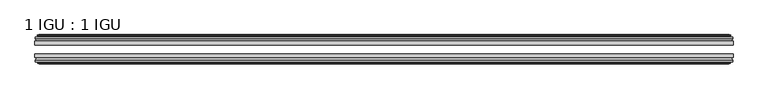
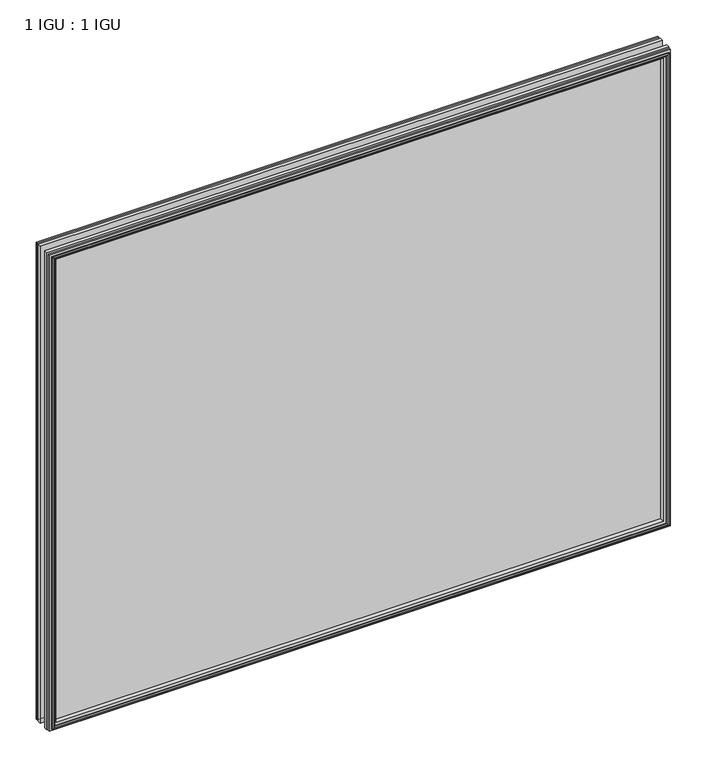
"""IFC4 building model written with IfcOpenShell, lengths in millimetres: plate geometry, 1 IGU : 1 IGU."""

from ifc_helpers import new_model, si_unit, frame, origin, place, context, project, spatial, polyline, outline, extrude, faceted_brep, source, transform, mapped, element, save


def plate_1_igu_1_igu_21a6585b(model_context):
    return source(origin(), model_context, "Body", "SolidModel", [
        extrude(outline(polyline([(532.8020352, -25.8960937), (532.8020352, -32.2460938), (-532.8020352, -32.2460938), (-532.8020352, -25.8960937), (532.8020352, -25.8960937)])), frame((0.0, 0.0, -12.7), z_axis=(0.0, 0.0, 1.0), x_axis=(1.0, 0.0, 0.0)), (0.0, 0.0, 1.0), 863.6),
        extrude(outline(polyline([(-532.8020352, -51.2960938), (-532.8020352, -45.2686737), (532.8020352, -45.2686737), (532.8020352, -51.2960938), (-532.8020352, -51.2960938)])), frame((0.0, 0.0, -12.7), z_axis=(0.0, 0.0, 1.0), x_axis=(1.0, 0.0, 0.0)), (0.0, 0.0, 1.0), 863.6),
        faceted_brep([(-527.2140352, -60.0262907, 845.312), (-527.5950352, -57.6460937, 845.693), (-527.5950352, -57.6460937, -7.493), (-527.2140352, -60.0262907, -7.112), (-528.6295643, -59.5663575, 846.7275291), (-528.6295643, -59.5663575, -8.5275291), (-528.6295643, -60.3675717, 846.7275291), (-528.6295643, -60.3675717, -8.5275291), (-526.4520352, -61.0750937, 844.55), (-526.4520352, -61.0750937, -6.35), (-524.2745062, -60.3675717, 842.3724709), (-524.2745062, -60.3675717, -4.1724709), (-524.2745062, -59.5663575, 842.3724709), (-524.2745062, -59.5663575, -4.1724709), (-525.6900352, -60.0262907, 843.788), (-525.6900352, -60.0262907, -5.588), (-525.3090352, -57.6460937, 843.407), (-525.3090352, -57.6460937, -5.207), (-518.3843171, -51.2960937, 836.4822819), (-520.1020352, -57.6460937, 838.2), (-520.1020352, -57.6460937, 0.0), (-518.3843171, -51.2960937, 1.7177181), (-532.0400352, -54.6996937, 850.138), (-529.2056931, -51.2960937, 847.3036578), (-529.2056931, -51.2960937, -9.1036578), (-532.0400352, -54.6996937, -11.938), (-532.0400352, -57.6460937, 850.138), (-532.0400352, -57.6460937, -11.938), (527.5950352, -57.6460938, -7.493), (527.2140352, -60.0262907, -7.112), (528.6295643, -59.5663575, -8.5275291), (528.6295643, -60.3675717, -8.5275291), (526.4520352, -61.0750937, -6.35), (524.2745062, -60.3675717, -4.1724709), (524.2745062, -59.5663575, -4.1724709), (525.6900352, -60.0262907, -5.588), (525.3090352, -57.6460937, -5.207), (520.1020352, -57.6460937, 0.0), (518.3843171, -51.2960937, 1.7177181), (529.2056931, -51.2960937, -9.1036578), (532.0400352, -54.6996937, -11.938), (532.0400352, -57.6460938, -11.938), (527.5950352, -57.6460938, 845.693), (527.2140352, -60.0262907, 845.312), (528.6295643, -59.5663575, 846.7275291), (528.6295643, -60.3675717, 846.7275291), (526.4520352, -61.0750937, 844.55), (524.2745062, -60.3675717, 842.3724709), (524.2745062, -59.5663575, 842.3724709), (525.6900352, -60.0262907, 843.788), (525.3090352, -57.6460937, 843.407), (520.1020352, -57.6460937, 838.2), (518.3843171, -51.2960937, 836.4822819), (529.2056931, -51.2960937, 847.3036578), (532.0400352, -54.6996937, 850.138), (532.0400352, -57.6460938, 850.138)], [[[0, 1, 2, 3]], [[4, 0, 3, 5]], [[6, 4, 5, 7]], [[8, 6, 7, 9]], [[10, 8, 9, 11]], [[12, 10, 11, 13]], [[14, 12, 13, 15]], [[16, 14, 15, 17]], [[18, 19, 20, 21]], [[22, 23, 24, 25]], [[26, 22, 25, 27]], [[3, 2, 28, 29]], [[5, 3, 29, 30]], [[7, 5, 30, 31]], [[9, 7, 31, 32]], [[11, 9, 32, 33]], [[13, 11, 33, 34]], [[15, 13, 34, 35]], [[17, 15, 35, 36]], [[21, 20, 37, 38]], [[25, 24, 39, 40]], [[27, 25, 40, 41]], [[29, 28, 42, 43]], [[30, 29, 43, 44]], [[31, 30, 44, 45]], [[32, 31, 45, 46]], [[33, 32, 46, 47]], [[34, 33, 47, 48]], [[35, 34, 48, 49]], [[36, 35, 49, 50]], [[38, 37, 51, 52]], [[40, 39, 53, 54]], [[41, 40, 54, 55]], [[27, 41, 55, 26], [1, 42, 28, 2]], [[43, 42, 1, 0]], [[44, 43, 0, 4]], [[45, 44, 4, 6]], [[46, 45, 6, 8]], [[47, 46, 8, 10]], [[48, 47, 10, 12]], [[49, 48, 12, 14]], [[50, 49, 14, 16]], [[17, 36, 50, 16], [19, 51, 37, 20]], [[52, 51, 19, 18]], [[23, 53, 39, 24], [21, 38, 52, 18]], [[54, 53, 23, 22]], [[55, 54, 22, 26]]]),
        faceted_brep([(-529.7263931, -25.8960937, 847.8243578), (-532.5607352, -22.4924937, 850.6587), (-532.5607352, -22.4924937, -12.4587), (-529.7263931, -25.8960937, -9.6243578), (-520.6227352, -19.5460937, 838.7207), (-518.9050171, -25.8960937, 837.0029819), (-518.9050171, -25.8960937, 1.1970181), (-520.6227352, -19.5460937, -0.5207), (-526.2107352, -17.1658968, 844.3087), (-525.8297352, -19.5460937, 843.9277), (-525.8297352, -19.5460937, -5.7277), (-526.2107352, -17.1658968, -6.1087), (-524.7952062, -17.62583, 842.8931709), (-524.7952062, -17.62583, -4.6931709), (-524.7952062, -16.8246158, 842.8931709), (-524.7952062, -16.8246158, -4.6931709), (-526.9727352, -16.1170937, 845.0707), (-526.9727352, -16.1170937, -6.8707), (-529.1502643, -16.8246158, 847.2482291), (-529.1502643, -16.8246158, -9.0482291), (-529.1502643, -17.62583, 847.2482291), (-529.1502643, -17.62583, -9.0482291), (-527.7347352, -17.1658968, 845.8327), (-527.7347352, -17.1658968, -7.6327), (-528.1157352, -19.5460937, 846.2137), (-528.1157352, -19.5460937, -8.0137), (-532.5607352, -19.5460937, 850.6587), (-532.5607352, -19.5460937, -12.4587), (532.5607352, -22.4924937, -12.4587), (529.7263931, -25.8960937, -9.6243578), (518.9050171, -25.8960937, 1.1970181), (520.6227352, -19.5460937, -0.5207), (525.8297352, -19.5460937, -5.7277), (526.2107352, -17.1658968, -6.1087), (524.7952062, -17.62583, -4.6931709), (524.7952062, -16.8246158, -4.6931709), (526.9727352, -16.1170937, -6.8707), (529.1502643, -16.8246158, -9.0482291), (529.1502643, -17.62583, -9.0482291), (527.7347352, -17.1658968, -7.6327), (528.1157352, -19.5460937, -8.0137), (532.5607352, -19.5460937, -12.4587), (532.5607352, -22.4924937, 850.6587), (529.7263931, -25.8960937, 847.8243578), (518.9050171, -25.8960937, 837.0029819), (520.6227352, -19.5460937, 838.7207), (525.8297352, -19.5460937, 843.9277), (526.2107352, -17.1658968, 844.3087), (524.7952062, -17.62583, 842.8931709), (524.7952062, -16.8246158, 842.8931709), (526.9727352, -16.1170937, 845.0707), (529.1502643, -16.8246158, 847.2482291), (529.1502643, -17.62583, 847.2482291), (527.7347352, -17.1658968, 845.8327), (528.1157352, -19.5460937, 846.2137), (532.5607352, -19.5460937, 850.6587)], [[[0, 1, 2, 3]], [[4, 5, 6, 7]], [[8, 9, 10, 11]], [[12, 8, 11, 13]], [[14, 12, 13, 15]], [[16, 14, 15, 17]], [[18, 16, 17, 19]], [[20, 18, 19, 21]], [[22, 20, 21, 23]], [[24, 22, 23, 25]], [[1, 26, 27, 2]], [[3, 2, 28, 29]], [[7, 6, 30, 31]], [[11, 10, 32, 33]], [[13, 11, 33, 34]], [[15, 13, 34, 35]], [[17, 15, 35, 36]], [[19, 17, 36, 37]], [[21, 19, 37, 38]], [[23, 21, 38, 39]], [[25, 23, 39, 40]], [[2, 27, 41, 28]], [[29, 28, 42, 43]], [[31, 30, 44, 45]], [[33, 32, 46, 47]], [[34, 33, 47, 48]], [[35, 34, 48, 49]], [[36, 35, 49, 50]], [[37, 36, 50, 51]], [[38, 37, 51, 52]], [[39, 38, 52, 53]], [[40, 39, 53, 54]], [[28, 41, 55, 42]], [[43, 42, 1, 0]], [[3, 29, 43, 0], [5, 44, 30, 6]], [[45, 44, 5, 4]], [[9, 46, 32, 10], [7, 31, 45, 4]], [[47, 46, 9, 8]], [[48, 47, 8, 12]], [[49, 48, 12, 14]], [[50, 49, 14, 16]], [[51, 50, 16, 18]], [[52, 51, 18, 20]], [[53, 52, 20, 22]], [[54, 53, 22, 24]], [[26, 55, 41, 27], [25, 40, 54, 24]], [[42, 55, 26, 1]]]),
    ])


if __name__ == "__main__":
    model = new_model("IFC4")
    model_context = context("Model", 3, world=origin())
    ifc_project = project(units=[si_unit("LENGTHUNIT", "METRE", prefix="MILLI")], contexts=[model_context])
    site = spatial("IfcSite", under=ifc_project)
    building = spatial("IfcBuilding", under=site)
    placement = place(None, origin())
    plate_1_igu_1_igu_shape = plate_1_igu_1_igu_21a6585b(model_context)
    element("IfcPlate", 1, ObjectType="1 IGU : 1 IGU", at=placement, inside=building, context=model_context, shape_type="MappedRepresentation", body=[
        mapped(plate_1_igu_1_igu_shape, transform((0.0, 0.0, 0.0), x_axis=(1.0, 0.0, 0.0), y_axis=(0.0, 1.0, 0.0), z_axis=(0.0, 0.0, 1.0))),
    ])
    save(model, "model.ifc")
